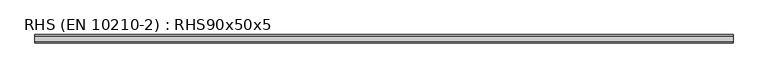
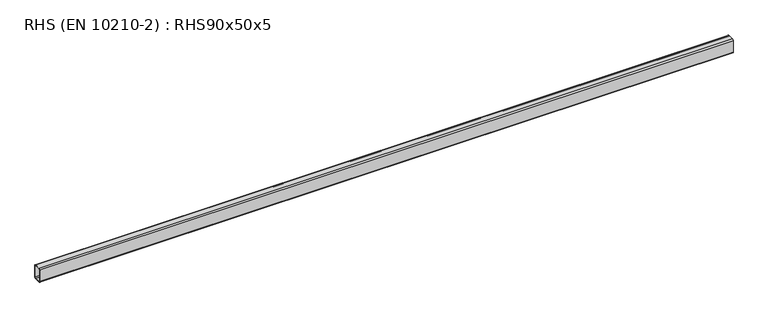
"""IFC4 building model written with IfcOpenShell, lengths in millimetres: beam geometry, RHS (EN 10210-2) : RHS90x50x5."""

from ifc_helpers import new_model, si_unit, point, frame, frame_2d, origin, place, context, project, spatial, polyline, circle_curve, trimmed, segment, composite_curve, outline, extrude, source, transform, mapped, element, save


def rhs_en_10210_2_rhs90x50x5_bcf400e0(model_context):
    return source(origin(), model_context, "Body", "SweptSolid", [
        extrude(outline(composite_curve([segment(polyline([(25.0, 37.5), (25.0, -37.5)]), True, "CONTINUOUS"), segment(trimmed(circle_curve(frame_2d((17.5, -37.5)), 7.5), [point((25.0, -37.5))], [point((17.5, -45.0))], False, "CARTESIAN"), True, "CONTINUOUS"), segment(polyline([(17.5, -45.0), (-17.5, -45.0)]), True, "CONTINUOUS"), segment(trimmed(circle_curve(frame_2d((-17.5, -37.5)), 7.5), [point((-17.5, -45.0))], [point((-25.0, -37.5))], False, "CARTESIAN"), True, "CONTINUOUS"), segment(polyline([(-25.0, -37.5), (-25.0, 37.5)]), True, "CONTINUOUS"), segment(trimmed(circle_curve(frame_2d((-17.5, 37.5)), 7.5), [point((-25.0, 37.5))], [point((-17.5, 45.0))], False, "CARTESIAN"), True, "CONTINUOUS"), segment(polyline([(-17.5, 45.0), (17.5, 45.0)]), True, "CONTINUOUS"), segment(trimmed(circle_curve(frame_2d((17.5, 37.5)), 7.5), [point((17.5, 45.0))], [point((25.0, 37.5))], False, "CARTESIAN"), True, "CONTINUOUS")], self_intersect=False), holes=[composite_curve([segment(trimmed(circle_curve(frame_2d((-15.0, 35.0)), 5.0), [point((-15.0, 40.0))], [point((-20.0, 35.0))], True, "CARTESIAN"), True, "CONTINUOUS"), segment(polyline([(-20.0, 35.0), (-20.0, -35.0)]), True, "CONTINUOUS"), segment(trimmed(circle_curve(frame_2d((-15.0, -35.0)), 5.0), [point((-20.0, -35.0))], [point((-15.0, -40.0))], True, "CARTESIAN"), True, "CONTINUOUS"), segment(polyline([(-15.0, -40.0), (15.0, -40.0)]), True, "CONTINUOUS"), segment(trimmed(circle_curve(frame_2d((15.0, -35.0)), 5.0), [point((15.0, -40.0))], [point((20.0, -35.0))], True, "CARTESIAN"), True, "CONTINUOUS"), segment(polyline([(20.0, -35.0), (20.0, 35.0)]), True, "CONTINUOUS"), segment(trimmed(circle_curve(frame_2d((15.0, 35.0)), 5.0), [point((20.0, 35.0))], [point((15.0, 40.0))], True, "CARTESIAN"), True, "CONTINUOUS"), segment(polyline([(15.0, 40.0), (-15.0, 40.0)]), True, "CONTINUOUS")], self_intersect=False)]), frame((-2135.2, 0.0, 0.0), z_axis=(1.0, 0.0, 0.0), x_axis=(0.0, 1.0, 0.0)), (0.0, 0.0, 1.0), 4253.5),
    ])


if __name__ == "__main__":
    model = new_model("IFC4")
    model_context = context("Model", 3, world=origin())
    ifc_project = project(units=[si_unit("LENGTHUNIT", "METRE", prefix="MILLI")], contexts=[model_context])
    site = spatial("IfcSite", under=ifc_project)
    building = spatial("IfcBuilding", under=site)
    placement = place(None, origin())
    rhs_en_10210_2_rhs90x50x5_shape = rhs_en_10210_2_rhs90x50x5_bcf400e0(model_context)
    element("IfcBeam", 1, ObjectType="RHS (EN 10210-2) : RHS90x50x5", at=placement, inside=building, context=model_context, shape_type="MappedRepresentation", body=[
        mapped(rhs_en_10210_2_rhs90x50x5_shape, transform((0.0, 0.0, 0.0), x_axis=(1.0, 0.0, 0.0), y_axis=(0.0, 1.0, 0.0), z_axis=(0.0, 0.0, 1.0))),
    ])
    save(model, "model.ifc")
